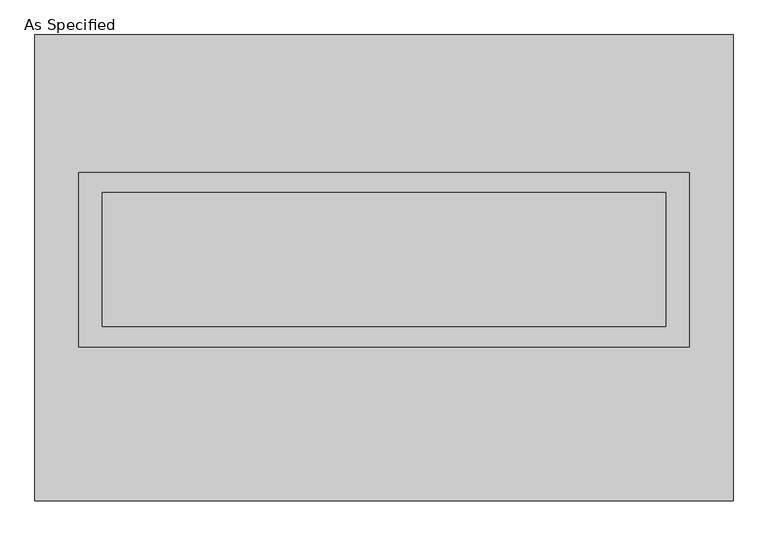
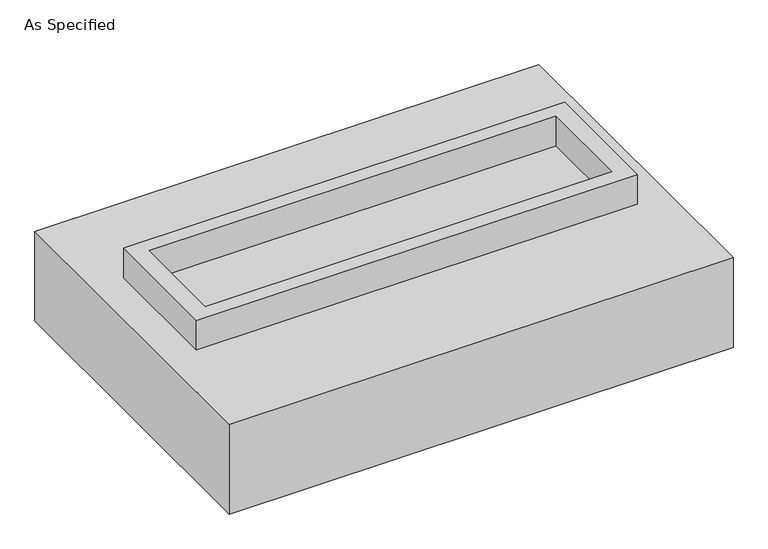
"""IFC4 building model written with IfcOpenShell, lengths in millimetres: proxy geometry, As Specified."""

from ifc_helpers import new_model, si_unit, frame, origin, place, context, project, spatial, polyline, outline, extrude, faceted_brep, source, transform, mapped, element, save


def as_specified_ba5c1b05(model_context):
    return source(origin(), model_context, "Body", "SolidModel", [
        extrude(outline(polyline([(1155.7, 361.95), (1155.7, -298.45), (-1155.7, -298.45), (-1155.7, 361.95), (1155.7, 361.95)]), holes=[polyline([(1066.8, 285.75), (-1066.8, 285.75), (-1066.8, -222.25), (1066.8, -222.25), (1066.8, 285.75)])]), frame((0.0, 0.0, -25.4), z_axis=(0.0, 0.0, 1.0), x_axis=(1.0, 0.0, 0.0)), (0.0, 0.0, 1.0), 165.1),
        extrude(outline(polyline([(1066.8, 285.75), (1066.8, -222.25), (-1066.8, -222.25), (-1066.8, 285.75), (1066.8, 285.75)])), frame((0.0, 0.0, -30.3609375), z_axis=(0.0, 0.0, 1.0), x_axis=(1.0, 0.0, 0.0)), (0.0, 0.0, 1.0), 4.9609375),
        faceted_brep([(1320.8, -882.65, -523.875), (-1320.8, -882.65, -523.875), (-1320.8, 882.65, -523.875), (1320.8, 882.65, -523.875), (1320.8, 882.65, -25.4), (-1320.8, 882.65, -25.4), (-1320.8, -882.65, -25.4), (1320.8, -882.65, -25.4), (1155.7, 361.95, -25.4), (1155.7, -298.45, -25.4), (-1155.7, -298.45, -25.4), (-1155.7, 361.95, -25.4), (1155.7, 361.95, -498.475), (-1155.7, 361.95, -498.475), (-1155.7, -298.45, -498.475), (1155.7, -298.45, -498.475)], [[[0, 1, 2, 3]], [[4, 5, 6, 7], [8, 9, 10, 11]], [[3, 2, 5, 4]], [[2, 1, 6, 5]], [[0, 3, 4, 7]], [[12, 13, 14, 15]], [[14, 13, 11, 10]], [[13, 12, 8, 11]], [[12, 15, 9, 8]], [[10, 9, 15, 14]], [[1, 0, 7, 6]]]),
    ])


if __name__ == "__main__":
    model = new_model("IFC4")
    model_context = context("Model", 3, world=origin())
    ifc_project = project(units=[si_unit("LENGTHUNIT", "METRE", prefix="MILLI")], contexts=[model_context])
    site = spatial("IfcSite", under=ifc_project)
    building = spatial("IfcBuilding", under=site)
    placement = place(None, origin())
    as_specified_shape = as_specified_ba5c1b05(model_context)
    element("IfcBuildingElementProxy", 1, Name="As Specified", ObjectType="As Specified", at=placement, inside=building, context=model_context, shape_type="MappedRepresentation", body=[
        mapped(as_specified_shape, transform((0.0, 0.0, 0.0), x_axis=(1.0, 0.0, 0.0), y_axis=(0.0, 1.0, 0.0), z_axis=(0.0, 0.0, 1.0))),
    ])
    save(model, "model.ifc")
